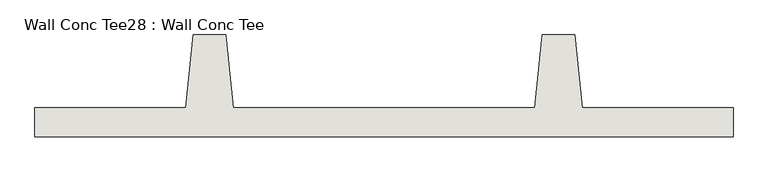
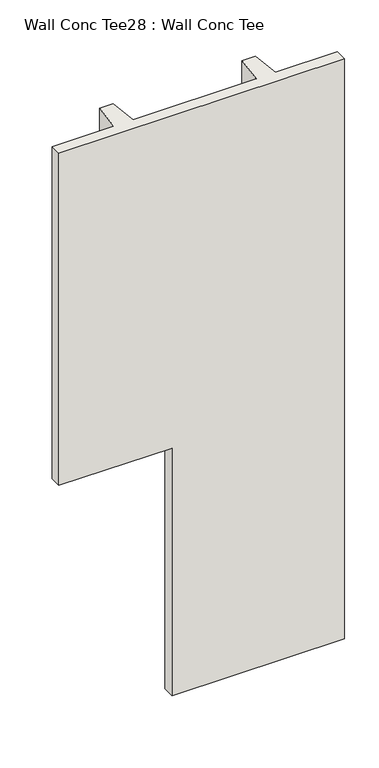
"""IFC4 building model written with IfcOpenShell, lengths in millimetres: wall geometry, Wall Conc Tee28 : Wall Conc Tee."""

import ifcopenshell
import ifcopenshell.guid

model = None  # the IFC model being written
_history = None  # IfcOwnerHistory: only IFC2X3 demands one
_inside = {}  # id of a spatial element -> (the spatial element, [elements in it])
_under = {}  # id of a project, library or spatial element -> (it, [spatial elements below it])
_declared = {}  # id of a project -> (the project, [libraries it declares])
_typed = {}  # id of a type object -> (the type object, [elements of that type])
_made_of = {}  # id of a material, layer set ... -> (it, [elements and type objects made of it])


def new_model(schema):
    """Start an empty IFC model of exactly this schema.

    Asked for "IFC4X3", IfcOpenShell would pick the latest addendum, in which some entities
    have other attributes; the version numbers below select the first issue.
    IFC2X3 requires an IfcOwnerHistory on every rooted entity: one is made here for all.
    """
    global model, _history
    if schema == "IFC4X3":
        model = ifcopenshell.file(schema_version=(4, 3, 0, 0))
    else:
        model = ifcopenshell.file(schema=schema)
    _inside.clear()
    _under.clear()
    _declared.clear()
    _typed.clear()
    _made_of.clear()
    _history = None
    if model.schema == "IFC2X3":
        org = make("IfcOrganization", Name="unknown")
        user = make(
            "IfcPersonAndOrganization",
            ThePerson=make("IfcPerson", FamilyName="unknown"),
            TheOrganization=org,
        )
        app = make(
            "IfcApplication",
            ApplicationDeveloper=org,
            Version="unknown",
            ApplicationFullName="unknown",
            ApplicationIdentifier="unknown",
        )
        _history = make(
            "IfcOwnerHistory",
            OwningUser=user,
            OwningApplication=app,
            ChangeAction="ADDED",
            CreationDate=0,
        )
    return model


def make(cls, **values):
    """One entity of the class cls with the attributes given. An attribute that is None is left unset."""
    return model.create_entity(
        cls, **{name: value for name, value in values.items() if value is not None}
    )


def rooted(cls, **values):
    """An entity with a GlobalId (a new one), such as an element, a storey or a relation."""
    return make(cls, GlobalId=ifcopenshell.guid.new(), OwnerHistory=_history, **values)


def si_unit(unit_type, name, prefix=None):
    """IfcSIUnit, for example si_unit("LENGTHUNIT", "METRE", prefix="MILLI")."""
    return make("IfcSIUnit", UnitType=unit_type, Prefix=prefix, Name=name)


def assignment(units):
    """IfcUnitAssignment: the units of a project."""
    return None if units is None else make("IfcUnitAssignment", Units=units)


def point(xyz):
    """IfcCartesianPoint."""
    return None if xyz is None else make("IfcCartesianPoint", Coordinates=xyz)


def direction(xyz):
    """IfcDirection."""
    return None if xyz is None else make("IfcDirection", DirectionRatios=xyz)


def frame(location, z_axis=None, x_axis=None):
    """IfcAxis2Placement3D, a coordinate frame: its origin and axes. An axis left out is left unset."""
    return make(
        "IfcAxis2Placement3D",
        Location=point(location),
        Axis=direction(z_axis),
        RefDirection=direction(x_axis),
    )


def origin():
    """The frame at (0, 0, 0) with its axes left unset."""
    return frame((0.0, 0.0, 0.0))


def place(relative_to, where):
    """IfcLocalPlacement: puts the frame where relative to a parent placement (None: the world)."""
    return make(
        "IfcLocalPlacement", PlacementRelTo=relative_to, RelativePlacement=where
    )


def context(
    kind, dimensions, precision=None, world=None, true_north=None, identifier=None
):
    """IfcGeometricRepresentationContext, for example the 3D "Model" context."""
    return make(
        "IfcGeometricRepresentationContext",
        ContextIdentifier=identifier,
        ContextType=kind,
        CoordinateSpaceDimension=dimensions,
        Precision=precision,
        WorldCoordinateSystem=world,
        TrueNorth=true_north,
    )


def project(units=None, contexts=None):
    """IfcProject with its units and contexts."""
    return rooted(
        "IfcProject",
        Name="project",
        RepresentationContexts=contexts,
        UnitsInContext=assignment(units),
    )


def spatial(cls, under=None, at=None, **own):
    """A site, building, storey or space (cls), placed at a placement, below another one or the project."""
    s = rooted(cls, ObjectPlacement=at, **own)
    if under is not None:
        _under.setdefault(under.id(), (under, []))[1].append(s)
    return s


def faces_of(points, faces, orient=None, outer=None):
    """IfcFace entities. A face is a list of loops; a loop is a list of indices into points, from 0.

    orient and outer hold one flag for each loop. By default every Orientation is true, the
    first loop of a face is its IfcFaceOuterBound and the others are IfcFaceBound.
    """
    made = []
    for i, loops in enumerate(faces):
        bounds = []
        for j, loop in enumerate(loops):
            is_outer = j == 0 if outer is None else outer[i][j]
            bounds.append(
                make(
                    "IfcFaceOuterBound" if is_outer else "IfcFaceBound",
                    Bound=make("IfcPolyLoop", Polygon=[points[k] for k in loop]),
                    Orientation=True if orient is None else orient[i][j],
                )
            )
        made.append(make("IfcFace", Bounds=bounds))
    return made


def faceted_brep(points, faces, orient=None, outer=None, voids=None):
    """IfcFacetedBrep: a solid bounded by flat faces; with voids (closed shells), ...WithVoids."""
    shared = [point(p) for p in points]
    hull = make("IfcClosedShell", CfsFaces=faces_of(shared, faces, orient, outer))
    if voids is None:
        return make("IfcFacetedBrep", Outer=hull)
    return make(
        "IfcFacetedBrepWithVoids",
        Outer=hull,
        Voids=[
            make(cls, CfsFaces=faces_of(shared, fs, o, b)) for cls, fs, o, b in voids
        ],
    )


def shape(context_of_items, identifier, shape_type, items):
    """IfcShapeRepresentation: the items that make up one representation, for example the "Body"."""
    return make(
        "IfcShapeRepresentation",
        ContextOfItems=context_of_items,
        RepresentationIdentifier=identifier,
        RepresentationType=shape_type,
        Items=items,
    )


def source(mapping_origin, context_of_items, identifier, shape_type, items):
    """IfcRepresentationMap: a shape defined once, which mapped items show again and again."""
    return make(
        "IfcRepresentationMap",
        MappingOrigin=mapping_origin,
        MappedRepresentation=shape(context_of_items, identifier, shape_type, items),
    )


def transform(
    local_origin,
    x_axis=None,
    y_axis=None,
    z_axis=None,
    scale=None,
    scale2=None,
    scale3=None,
    uniform=True,
):
    """IfcCartesianTransformationOperator3D, or its non-uniform kind. x_axis, y_axis, z_axis: its Axis1, 2, 3."""
    if uniform:
        return make(
            "IfcCartesianTransformationOperator3D",
            Axis1=direction(x_axis),
            Axis2=direction(y_axis),
            LocalOrigin=point(local_origin),
            Scale=scale,
            Axis3=direction(z_axis),
        )
    return make(
        "IfcCartesianTransformationOperator3DnonUniform",
        Axis1=direction(x_axis),
        Axis2=direction(y_axis),
        LocalOrigin=point(local_origin),
        Scale=scale,
        Axis3=direction(z_axis),
        Scale2=scale2,
        Scale3=scale3,
    )


def mapped(mapping_source, mapping_target):
    """IfcMappedItem: shows the shape of a source again, moved by a transform."""
    return make(
        "IfcMappedItem", MappingSource=mapping_source, MappingTarget=mapping_target
    )


def made_of(thing, what):
    """Note that an element or type object is made of a material, layer set ...; save() writes the relation."""
    if what is not None:
        _made_of.setdefault(what.id(), (what, []))[1].append(thing)
    return thing


def element(
    cls,
    number,
    at=None,
    inside=None,
    cuts=None,
    type_object=None,
    material=None,
    context=None,
    identifier="Body",
    shape_type=None,
    held_by="IfcProductDefinitionShape",
    body=None,
    shapes=None,
    **own,
):
    """One element of the class cls, such as IfcWall. Its Tag is "e" and its number.

    at: its placement. inside: the storey or other place that contains it. cuts: it is an
    opening in that element (IfcRelVoidsElement). A single representation is given by context,
    identifier, shape_type and body (its items); several are given by shapes. held_by: the class
    of the entity that holds the representations. save() writes the other relations.
    """
    e = rooted(cls, Tag="e%d" % number, ObjectPlacement=at, **own)
    if body is not None:
        shapes = [shape(context, identifier, shape_type, body)]
    if shapes is not None:
        e.Representation = make(held_by, Representations=shapes)
    if inside is not None:
        _inside.setdefault(inside.id(), (inside, []))[1].append(e)
    if cuts is not None:
        rooted(
            "IfcRelVoidsElement", RelatingBuildingElement=cuts, RelatedOpeningElement=e
        )
    if type_object is not None:
        _typed.setdefault(type_object.id(), (type_object, []))[1].append(e)
    return made_of(e, material)


def aggregate(whole, parts):
    """IfcRelAggregates: a whole, such as a stair, and the parts it consists of."""
    return rooted("IfcRelAggregates", RelatingObject=whole, RelatedObjects=parts)


def save(model, path):
    """Write the relations noted so far, then the file.

    IfcRelAggregates (storeys below a building ...), IfcRelContainedInSpatialStructure (elements
    in a storey), IfcRelDefinesByType, IfcRelAssociatesMaterial and IfcRelDeclares: one each for
    every whole, place, type object, material and project.
    """
    for whole, parts in _under.values():
        aggregate(whole, parts)
    for where, things in _inside.values():
        rooted(
            "IfcRelContainedInSpatialStructure",
            RelatedElements=things,
            RelatingStructure=where,
        )
    for kind, things in _typed.values():
        rooted("IfcRelDefinesByType", RelatedObjects=things, RelatingType=kind)
    for what, things in _made_of.values():
        rooted("IfcRelAssociatesMaterial", RelatedObjects=things, RelatingMaterial=what)
    for by, libraries in _declared.values():
        rooted("IfcRelDeclares", RelatingContext=by, RelatedDefinitions=libraries)
    model.write(path)


def wall_conc_tee28_wall_conc_tee_b1269589(model_context):
    return source(origin(), model_context, "Body", "Brep", [
        faceted_brep([(239433.8728488, 180886.8596581, 5376.1679688), (239433.8728488, 180988.4596581, 5376.1679688), (238906.8228488, 180988.4596581, 5376.1679688), (238881.4228488, 181242.4596581, 5376.1679688), (238767.1228488, 181242.4596581, 5376.1679688), (238741.7228488, 180988.4596581, 5376.1679688), (237687.6228488, 180988.4596581, 5376.1679688), (237662.2228488, 181242.4596581, 5376.1679688), (237547.9228488, 181242.4596581, 5376.1679688), (237522.5228488, 180988.4596581, 5376.1679688), (236995.4728488, 180988.4596581, 5376.1679688), (236995.4728488, 180886.8596581, 5376.1679688), (238741.7228488, 180988.4596581, 143.7592564), (238767.1228488, 181242.4596581, 143.7592564), (238881.4228488, 181242.4596581, 143.7592564), (238906.8228488, 180988.4596581, 143.7592564), (239433.8728488, 180988.4596581, 143.7592564), (239433.8728488, 180886.8596581, 143.7592564), (237960.6728488, 180886.8596581, 143.7592564), (237960.6728488, 180988.4596581, 143.7592564), (236995.4728488, 180886.8596581, 2378.9592564), (237960.6728488, 180886.8596581, 2378.9592564), (236995.4728488, 180988.4596581, 2378.9592564), (237522.5228488, 180988.4596581, 2378.9592564), (237547.9228488, 181242.4596581, 2378.9592564), (237662.2228488, 181242.4596581, 2378.9592564), (237687.6228488, 180988.4596581, 2378.9592564), (237960.6728488, 180988.4596581, 2378.9592564)], [[[0, 1, 2, 3, 4, 5, 6, 7, 8, 9, 10, 11]], [[12, 13, 14, 15, 16, 17, 18, 19]], [[0, 11, 20, 21, 18, 17]], [[11, 10, 22, 20]], [[10, 9, 23, 22]], [[9, 8, 24, 23]], [[8, 7, 25, 24]], [[7, 6, 26, 25]], [[6, 5, 12, 19, 27, 26]], [[5, 4, 13, 12]], [[4, 3, 14, 13]], [[3, 2, 15, 14]], [[2, 1, 16, 15]], [[1, 0, 17, 16]], [[27, 21, 20, 22, 23, 24, 25, 26]], [[21, 27, 19, 18]]]),
    ])


if __name__ == "__main__":
    model = new_model("IFC4")
    model_context = context("Model", 3, world=origin())
    ifc_project = project(units=[si_unit("LENGTHUNIT", "METRE", prefix="MILLI")], contexts=[model_context])
    site = spatial("IfcSite", under=ifc_project)
    building = spatial("IfcBuilding", under=site)
    placement = place(None, origin())
    wall_conc_tee28_wall_conc_tee_shape = wall_conc_tee28_wall_conc_tee_b1269589(model_context)
    element("IfcWall", 1, ObjectType="Wall Conc Tee28 : Wall Conc Tee", at=placement, inside=building, context=model_context, shape_type="MappedRepresentation", body=[
        mapped(wall_conc_tee28_wall_conc_tee_shape, transform((0.0, 0.0, 0.0), x_axis=(1.0, 0.0, 0.0), y_axis=(0.0, 1.0, 0.0), z_axis=(0.0, 0.0, 1.0))),
    ])
    save(model, "model.ifc")
